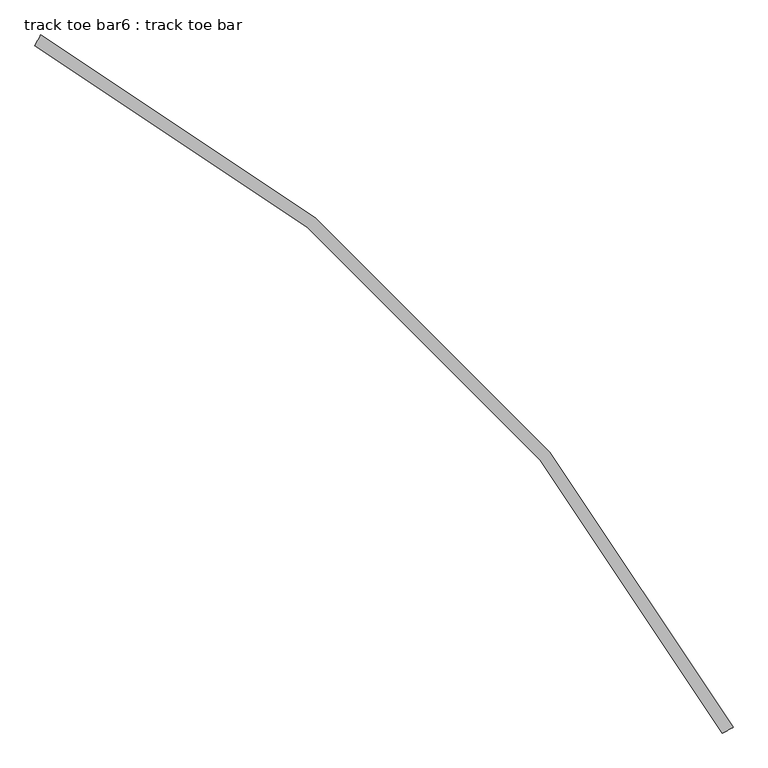
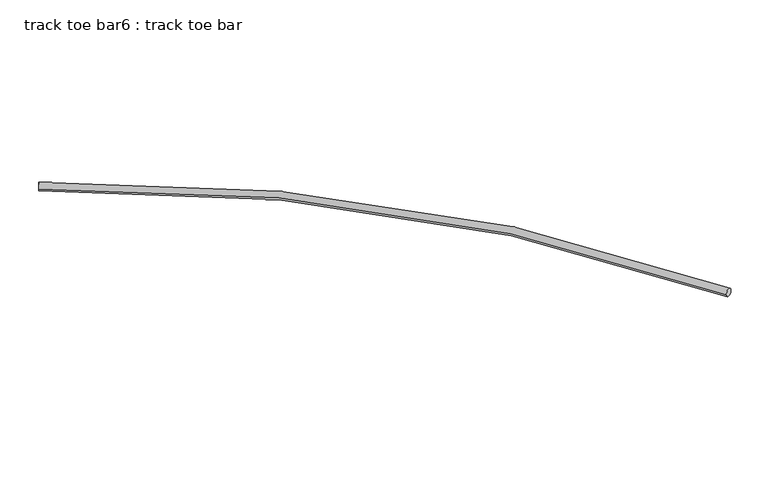
"""IFC4 building model written with IfcOpenShell, lengths in millimetres: proxy geometry, track toe bar6 : track toe bar."""

from ifc_helpers import new_model, si_unit, point, frame, origin, place, context, project, spatial, circle_curve, ellipse_curve, trimmed, source, transform, mapped, element, save
from ifc_brep_helpers import plane_surface, revolved_surface, advanced_brep


def track_toe_bar6_track_toe_bar_b9743230(model_context):
    return source(origin(), model_context, "Body", "AdvancedBrep", [
        advanced_brep(
        [(751147.8557519, -250653.1130322, 4855.8150744), (751183.7145754, -250585.8777381, 4855.8150744), (755462.1204578, -254967.3777381, 4855.8150744), (755529.3557519, -254931.5189146, 4855.8150744)],
        [
            (0, 1, circle_curve(frame((751165.7851636, -250619.4953851, 4855.8150744), z_axis=(-0.8823529411766178, 0.47058823529384186, 0.0), x_axis=(0.47058823529384186, 0.8823529411766178, 0.0)), 38.1)),
            (1, 0, circle_curve(frame((751165.7851636, -250619.4953851, 4855.8150744), z_axis=(-0.8823529411766178, 0.47058823529384186, 0.0), x_axis=(0.47058823529384186, 0.8823529411766178, 0.0)), 38.1)),
            (2, 3, circle_curve(frame((755495.7381048, -254949.4483263, 4855.8150744), z_axis=(0.47058823529386234, -0.8823529411766067, 0.0), x_axis=(0.8823529411766067, 0.47058823529386234, 0.0)), 38.1)),
            (3, 2, circle_curve(frame((755495.7381048, -254949.4483263, 4855.8150744), z_axis=(0.47058823529386234, -0.8823529411766067, 0.0), x_axis=(0.8823529411766067, 0.47058823529386234, 0.0)), 38.1)),
            (3, 1, circle_curve(frame((746217.2675166, -259897.9659734, 4855.8150744), z_axis=(0.0, 0.0, 1.0), x_axis=(0.47058823529384175, 0.8823529411766178, 0.0)), 10553.7)),
            (0, 2, circle_curve(frame((746217.2675166, -259897.9659734, 4855.8150744), z_axis=(0.0, 0.0, -1.0), x_axis=(0.47058823529384175, 0.8823529411766178, 0.0)), 10477.5)),
        ],
        [
            plane_surface(frame((751165.7851636, -250619.4953851, 4927.6), z_axis=(-0.8823529411766178, 0.47058823529384186, 0.0), x_axis=(0.0, 0.0, 1.0))),
            plane_surface(frame((755495.7381048, -254949.4483263, 4927.6), z_axis=(0.4705882352938624, -0.8823529411766067, 0.0), x_axis=(0.0, 0.0, 1.0))),
            revolved_surface(trimmed(ellipse_curve(frame((751165.7851636, -250619.4953851, 4855.8150744), z_axis=(-0.8823529411766178, 0.47058823529384186, 0.0), x_axis=(0.47058823529384186, 0.8823529411766178, 0.0)), 38.1, 38.1), [point((751147.8557519, -250653.1130322, 4855.8150744))], [point((751183.7145754, -250585.8777381, 4855.8150744))], True, "CARTESIAN"), (746217.2675166, -259897.9659734, 4927.6), (0.0, 0.0, -1.0)),
            revolved_surface(trimmed(ellipse_curve(frame((751165.7851636, -250619.4953851, 4855.8150744), z_axis=(-0.8823529411766178, 0.47058823529384186, 0.0), x_axis=(0.47058823529384186, 0.8823529411766178, 0.0)), 38.1, 38.1), [point((751183.7145754, -250585.8777381, 4855.8150744))], [point((751147.8557519, -250653.1130322, 4855.8150744))], True, "CARTESIAN"), (746217.2675166, -259897.9659734, 4927.6), (0.0, 0.0, -1.0)),
        ],
        [
            (0, [[1, 2]]),
            (1, [[3, 4]]),
            (2, [[5, -1, 6, -4]]),
            (3, [[-6, -2, -5, -3]]),
        ],
    ),
    ])


if __name__ == "__main__":
    model = new_model("IFC4")
    model_context = context("Model", 3, world=origin())
    ifc_project = project(units=[si_unit("LENGTHUNIT", "METRE", prefix="MILLI")], contexts=[model_context])
    site = spatial("IfcSite", under=ifc_project)
    building = spatial("IfcBuilding", under=site)
    placement = place(None, origin())
    track_toe_bar6_track_toe_bar_shape = track_toe_bar6_track_toe_bar_b9743230(model_context)
    element("IfcBuildingElementProxy", 1, Name="track toe bar6 : track toe bar", ObjectType="track toe bar6 : track toe bar", at=placement, inside=building, context=model_context, shape_type="MappedRepresentation", body=[
        mapped(track_toe_bar6_track_toe_bar_shape, transform((0.0, 0.0, 0.0), x_axis=(1.0, 0.0, 0.0), y_axis=(0.0, 1.0, 0.0), z_axis=(0.0, 0.0, 1.0))),
    ])
    save(model, "model.ifc")
